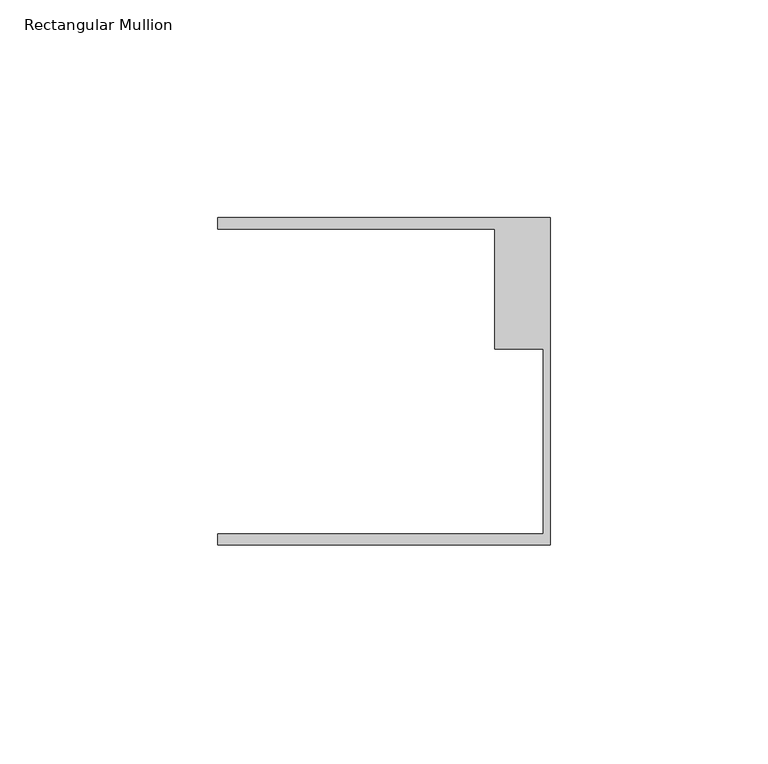
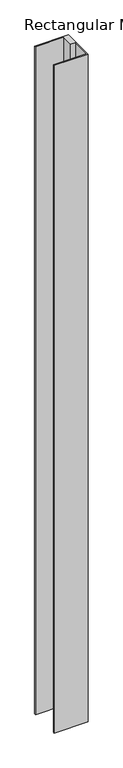
"""IFC4 building model written with IfcOpenShell, lengths in millimetres: member geometry, Rectangular Mullion."""

import ifcopenshell
import ifcopenshell.guid

model = None  # the IFC model being written
_history = None  # IfcOwnerHistory: only IFC2X3 demands one
_inside = {}  # id of a spatial element -> (the spatial element, [elements in it])
_under = {}  # id of a project, library or spatial element -> (it, [spatial elements below it])
_declared = {}  # id of a project -> (the project, [libraries it declares])
_typed = {}  # id of a type object -> (the type object, [elements of that type])
_made_of = {}  # id of a material, layer set ... -> (it, [elements and type objects made of it])


def new_model(schema):
    """Start an empty IFC model of exactly this schema.

    Asked for "IFC4X3", IfcOpenShell would pick the latest addendum, in which some entities
    have other attributes; the version numbers below select the first issue.
    IFC2X3 requires an IfcOwnerHistory on every rooted entity: one is made here for all.
    """
    global model, _history
    if schema == "IFC4X3":
        model = ifcopenshell.file(schema_version=(4, 3, 0, 0))
    else:
        model = ifcopenshell.file(schema=schema)
    _inside.clear()
    _under.clear()
    _declared.clear()
    _typed.clear()
    _made_of.clear()
    _history = None
    if model.schema == "IFC2X3":
        org = make("IfcOrganization", Name="unknown")
        user = make(
            "IfcPersonAndOrganization",
            ThePerson=make("IfcPerson", FamilyName="unknown"),
            TheOrganization=org,
        )
        app = make(
            "IfcApplication",
            ApplicationDeveloper=org,
            Version="unknown",
            ApplicationFullName="unknown",
            ApplicationIdentifier="unknown",
        )
        _history = make(
            "IfcOwnerHistory",
            OwningUser=user,
            OwningApplication=app,
            ChangeAction="ADDED",
            CreationDate=0,
        )
    return model


def make(cls, **values):
    """One entity of the class cls with the attributes given. An attribute that is None is left unset."""
    return model.create_entity(
        cls, **{name: value for name, value in values.items() if value is not None}
    )


def rooted(cls, **values):
    """An entity with a GlobalId (a new one), such as an element, a storey or a relation."""
    return make(cls, GlobalId=ifcopenshell.guid.new(), OwnerHistory=_history, **values)


def si_unit(unit_type, name, prefix=None):
    """IfcSIUnit, for example si_unit("LENGTHUNIT", "METRE", prefix="MILLI")."""
    return make("IfcSIUnit", UnitType=unit_type, Prefix=prefix, Name=name)


def assignment(units):
    """IfcUnitAssignment: the units of a project."""
    return None if units is None else make("IfcUnitAssignment", Units=units)


def point(xyz):
    """IfcCartesianPoint."""
    return None if xyz is None else make("IfcCartesianPoint", Coordinates=xyz)


def direction(xyz):
    """IfcDirection."""
    return None if xyz is None else make("IfcDirection", DirectionRatios=xyz)


def frame(location, z_axis=None, x_axis=None):
    """IfcAxis2Placement3D, a coordinate frame: its origin and axes. An axis left out is left unset."""
    return make(
        "IfcAxis2Placement3D",
        Location=point(location),
        Axis=direction(z_axis),
        RefDirection=direction(x_axis),
    )


def origin():
    """The frame at (0, 0, 0) with its axes left unset."""
    return frame((0.0, 0.0, 0.0))


def place(relative_to, where):
    """IfcLocalPlacement: puts the frame where relative to a parent placement (None: the world)."""
    return make(
        "IfcLocalPlacement", PlacementRelTo=relative_to, RelativePlacement=where
    )


def context(
    kind, dimensions, precision=None, world=None, true_north=None, identifier=None
):
    """IfcGeometricRepresentationContext, for example the 3D "Model" context."""
    return make(
        "IfcGeometricRepresentationContext",
        ContextIdentifier=identifier,
        ContextType=kind,
        CoordinateSpaceDimension=dimensions,
        Precision=precision,
        WorldCoordinateSystem=world,
        TrueNorth=true_north,
    )


def project(units=None, contexts=None):
    """IfcProject with its units and contexts."""
    return rooted(
        "IfcProject",
        Name="project",
        RepresentationContexts=contexts,
        UnitsInContext=assignment(units),
    )


def spatial(cls, under=None, at=None, **own):
    """A site, building, storey or space (cls), placed at a placement, below another one or the project."""
    s = rooted(cls, ObjectPlacement=at, **own)
    if under is not None:
        _under.setdefault(under.id(), (under, []))[1].append(s)
    return s


def polyline(points):
    """IfcPolyline through the points."""
    return make("IfcPolyline", Points=[point(p) for p in points])


def outline(outer, holes=None, kind="AREA"):
    """IfcArbitraryClosedProfileDef: a profile drawn as a closed curve; with holes, ...WithVoids."""
    if holes is None:
        return make("IfcArbitraryClosedProfileDef", ProfileType=kind, OuterCurve=outer)
    return make(
        "IfcArbitraryProfileDefWithVoids",
        ProfileType=kind,
        OuterCurve=outer,
        InnerCurves=holes,
    )


def extrude(swept, where, along, depth):
    """IfcExtrudedAreaSolid: the profile swept, set in the frame where, extruded along a direction by depth."""
    return make(
        "IfcExtrudedAreaSolid",
        SweptArea=swept,
        Position=where,
        ExtrudedDirection=direction(along),
        Depth=depth,
    )


def shape(context_of_items, identifier, shape_type, items):
    """IfcShapeRepresentation: the items that make up one representation, for example the "Body"."""
    return make(
        "IfcShapeRepresentation",
        ContextOfItems=context_of_items,
        RepresentationIdentifier=identifier,
        RepresentationType=shape_type,
        Items=items,
    )


def source(mapping_origin, context_of_items, identifier, shape_type, items):
    """IfcRepresentationMap: a shape defined once, which mapped items show again and again."""
    return make(
        "IfcRepresentationMap",
        MappingOrigin=mapping_origin,
        MappedRepresentation=shape(context_of_items, identifier, shape_type, items),
    )


def transform(
    local_origin,
    x_axis=None,
    y_axis=None,
    z_axis=None,
    scale=None,
    scale2=None,
    scale3=None,
    uniform=True,
):
    """IfcCartesianTransformationOperator3D, or its non-uniform kind. x_axis, y_axis, z_axis: its Axis1, 2, 3."""
    if uniform:
        return make(
            "IfcCartesianTransformationOperator3D",
            Axis1=direction(x_axis),
            Axis2=direction(y_axis),
            LocalOrigin=point(local_origin),
            Scale=scale,
            Axis3=direction(z_axis),
        )
    return make(
        "IfcCartesianTransformationOperator3DnonUniform",
        Axis1=direction(x_axis),
        Axis2=direction(y_axis),
        LocalOrigin=point(local_origin),
        Scale=scale,
        Axis3=direction(z_axis),
        Scale2=scale2,
        Scale3=scale3,
    )


def mapped(mapping_source, mapping_target):
    """IfcMappedItem: shows the shape of a source again, moved by a transform."""
    return make(
        "IfcMappedItem", MappingSource=mapping_source, MappingTarget=mapping_target
    )


def made_of(thing, what):
    """Note that an element or type object is made of a material, layer set ...; save() writes the relation."""
    if what is not None:
        _made_of.setdefault(what.id(), (what, []))[1].append(thing)
    return thing


def element(
    cls,
    number,
    at=None,
    inside=None,
    cuts=None,
    type_object=None,
    material=None,
    context=None,
    identifier="Body",
    shape_type=None,
    held_by="IfcProductDefinitionShape",
    body=None,
    shapes=None,
    **own,
):
    """One element of the class cls, such as IfcWall. Its Tag is "e" and its number.

    at: its placement. inside: the storey or other place that contains it. cuts: it is an
    opening in that element (IfcRelVoidsElement). A single representation is given by context,
    identifier, shape_type and body (its items); several are given by shapes. held_by: the class
    of the entity that holds the representations. save() writes the other relations.
    """
    e = rooted(cls, Tag="e%d" % number, ObjectPlacement=at, **own)
    if body is not None:
        shapes = [shape(context, identifier, shape_type, body)]
    if shapes is not None:
        e.Representation = make(held_by, Representations=shapes)
    if inside is not None:
        _inside.setdefault(inside.id(), (inside, []))[1].append(e)
    if cuts is not None:
        rooted(
            "IfcRelVoidsElement", RelatingBuildingElement=cuts, RelatedOpeningElement=e
        )
    if type_object is not None:
        _typed.setdefault(type_object.id(), (type_object, []))[1].append(e)
    return made_of(e, material)


def aggregate(whole, parts):
    """IfcRelAggregates: a whole, such as a stair, and the parts it consists of."""
    return rooted("IfcRelAggregates", RelatingObject=whole, RelatedObjects=parts)


def save(model, path):
    """Write the relations noted so far, then the file.

    IfcRelAggregates (storeys below a building ...), IfcRelContainedInSpatialStructure (elements
    in a storey), IfcRelDefinesByType, IfcRelAssociatesMaterial and IfcRelDeclares: one each for
    every whole, place, type object, material and project.
    """
    for whole, parts in _under.values():
        aggregate(whole, parts)
    for where, things in _inside.values():
        rooted(
            "IfcRelContainedInSpatialStructure",
            RelatedElements=things,
            RelatingStructure=where,
        )
    for kind, things in _typed.values():
        rooted("IfcRelDefinesByType", RelatedObjects=things, RelatingType=kind)
    for what, things in _made_of.values():
        rooted("IfcRelAssociatesMaterial", RelatedObjects=things, RelatingMaterial=what)
    for by, libraries in _declared.values():
        rooted("IfcRelDeclares", RelatingContext=by, RelatedDefinitions=libraries)
    model.write(path)


def rectangular_mullion_400852b4(model_context):
    return source(origin(), model_context, "Body", "SweptSolid", [
        extrude(outline(polyline([(0.0, -37.5776386), (-76.2, -37.5776386), (-76.2, -35.0376386), (-1.5875, -35.0376386), (-1.5875, 7.3398614), (-12.7, 7.3398614), (-12.7, 34.9623614), (-76.2, 34.9623614), (-76.2, 37.5023614), (0.0, 37.5023614), (0.0, -37.5776386)])), frame((0.0, 0.0, -1585.0576), z_axis=(0.0, 0.0, 1.0), x_axis=(1.0, 0.0, 0.0)), (0.0, 0.0, 1.0), 1585.0576),
    ])


if __name__ == "__main__":
    model = new_model("IFC4")
    model_context = context("Model", 3, world=origin())
    ifc_project = project(units=[si_unit("LENGTHUNIT", "METRE", prefix="MILLI")], contexts=[model_context])
    site = spatial("IfcSite", under=ifc_project)
    building = spatial("IfcBuilding", under=site)
    placement = place(None, origin())
    rectangular_mullion_shape = rectangular_mullion_400852b4(model_context)
    element("IfcMember", 1, ObjectType="Rectangular Mullion", at=placement, inside=building, context=model_context, shape_type="MappedRepresentation", body=[
        mapped(rectangular_mullion_shape, transform((0.0, 0.0, 0.0), x_axis=(1.0, 0.0, 0.0), y_axis=(0.0, 1.0, 0.0), z_axis=(0.0, 0.0, 1.0))),
    ])
    save(model, "model.ifc")
